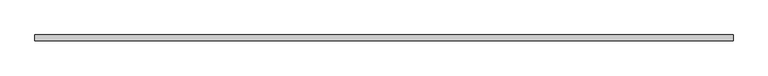
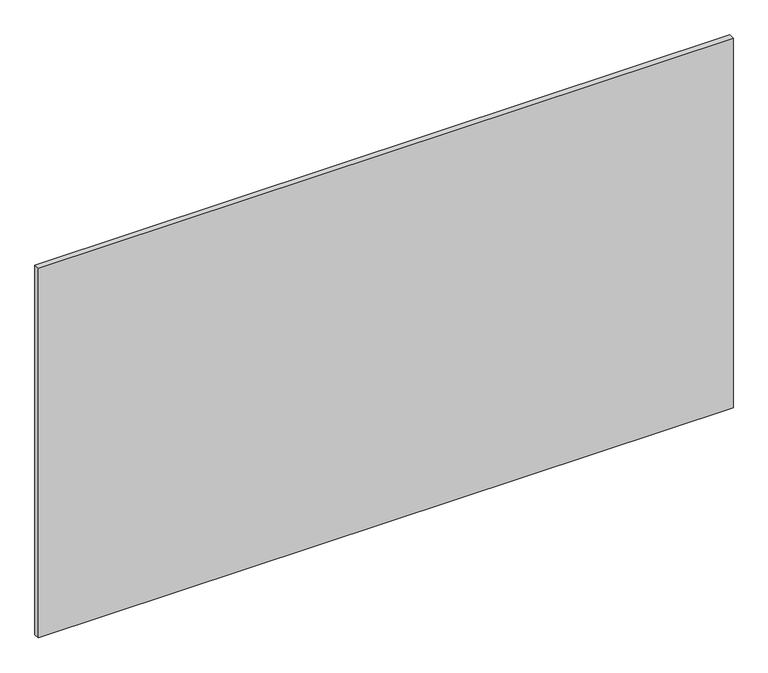
"""IFC4 building model written with IfcOpenShell, lengths in millimetres: plate geometry."""

import ifcopenshell
import ifcopenshell.guid

model = None  # the IFC model being written
_history = None  # IfcOwnerHistory: only IFC2X3 demands one
_inside = {}  # id of a spatial element -> (the spatial element, [elements in it])
_under = {}  # id of a project, library or spatial element -> (it, [spatial elements below it])
_declared = {}  # id of a project -> (the project, [libraries it declares])
_typed = {}  # id of a type object -> (the type object, [elements of that type])
_made_of = {}  # id of a material, layer set ... -> (it, [elements and type objects made of it])


def new_model(schema):
    """Start an empty IFC model of exactly this schema.

    Asked for "IFC4X3", IfcOpenShell would pick the latest addendum, in which some entities
    have other attributes; the version numbers below select the first issue.
    IFC2X3 requires an IfcOwnerHistory on every rooted entity: one is made here for all.
    """
    global model, _history
    if schema == "IFC4X3":
        model = ifcopenshell.file(schema_version=(4, 3, 0, 0))
    else:
        model = ifcopenshell.file(schema=schema)
    _inside.clear()
    _under.clear()
    _declared.clear()
    _typed.clear()
    _made_of.clear()
    _history = None
    if model.schema == "IFC2X3":
        org = make("IfcOrganization", Name="unknown")
        user = make(
            "IfcPersonAndOrganization",
            ThePerson=make("IfcPerson", FamilyName="unknown"),
            TheOrganization=org,
        )
        app = make(
            "IfcApplication",
            ApplicationDeveloper=org,
            Version="unknown",
            ApplicationFullName="unknown",
            ApplicationIdentifier="unknown",
        )
        _history = make(
            "IfcOwnerHistory",
            OwningUser=user,
            OwningApplication=app,
            ChangeAction="ADDED",
            CreationDate=0,
        )
    return model


def make(cls, **values):
    """One entity of the class cls with the attributes given. An attribute that is None is left unset."""
    return model.create_entity(
        cls, **{name: value for name, value in values.items() if value is not None}
    )


def rooted(cls, **values):
    """An entity with a GlobalId (a new one), such as an element, a storey or a relation."""
    return make(cls, GlobalId=ifcopenshell.guid.new(), OwnerHistory=_history, **values)


def si_unit(unit_type, name, prefix=None):
    """IfcSIUnit, for example si_unit("LENGTHUNIT", "METRE", prefix="MILLI")."""
    return make("IfcSIUnit", UnitType=unit_type, Prefix=prefix, Name=name)


def assignment(units):
    """IfcUnitAssignment: the units of a project."""
    return None if units is None else make("IfcUnitAssignment", Units=units)


def point(xyz):
    """IfcCartesianPoint."""
    return None if xyz is None else make("IfcCartesianPoint", Coordinates=xyz)


def direction(xyz):
    """IfcDirection."""
    return None if xyz is None else make("IfcDirection", DirectionRatios=xyz)


def frame(location, z_axis=None, x_axis=None):
    """IfcAxis2Placement3D, a coordinate frame: its origin and axes. An axis left out is left unset."""
    return make(
        "IfcAxis2Placement3D",
        Location=point(location),
        Axis=direction(z_axis),
        RefDirection=direction(x_axis),
    )


def origin():
    """The frame at (0, 0, 0) with its axes left unset."""
    return frame((0.0, 0.0, 0.0))


def origin_with_axes():
    """The frame at (0, 0, 0) with the z axis (0, 0, 1) and the x axis (1, 0, 0) written out."""
    return frame((0.0, 0.0, 0.0), z_axis=(0.0, 0.0, 1.0), x_axis=(1.0, 0.0, 0.0))


def place(relative_to, where):
    """IfcLocalPlacement: puts the frame where relative to a parent placement (None: the world)."""
    return make(
        "IfcLocalPlacement", PlacementRelTo=relative_to, RelativePlacement=where
    )


def context(
    kind, dimensions, precision=None, world=None, true_north=None, identifier=None
):
    """IfcGeometricRepresentationContext, for example the 3D "Model" context."""
    return make(
        "IfcGeometricRepresentationContext",
        ContextIdentifier=identifier,
        ContextType=kind,
        CoordinateSpaceDimension=dimensions,
        Precision=precision,
        WorldCoordinateSystem=world,
        TrueNorth=true_north,
    )


def project(units=None, contexts=None):
    """IfcProject with its units and contexts."""
    return rooted(
        "IfcProject",
        Name="project",
        RepresentationContexts=contexts,
        UnitsInContext=assignment(units),
    )


def spatial(cls, under=None, at=None, **own):
    """A site, building, storey or space (cls), placed at a placement, below another one or the project."""
    s = rooted(cls, ObjectPlacement=at, **own)
    if under is not None:
        _under.setdefault(under.id(), (under, []))[1].append(s)
    return s


def polyline(points):
    """IfcPolyline through the points."""
    return make("IfcPolyline", Points=[point(p) for p in points])


def outline(outer, holes=None, kind="AREA"):
    """IfcArbitraryClosedProfileDef: a profile drawn as a closed curve; with holes, ...WithVoids."""
    if holes is None:
        return make("IfcArbitraryClosedProfileDef", ProfileType=kind, OuterCurve=outer)
    return make(
        "IfcArbitraryProfileDefWithVoids",
        ProfileType=kind,
        OuterCurve=outer,
        InnerCurves=holes,
    )


def extrude(swept, where, along, depth):
    """IfcExtrudedAreaSolid: the profile swept, set in the frame where, extruded along a direction by depth."""
    return make(
        "IfcExtrudedAreaSolid",
        SweptArea=swept,
        Position=where,
        ExtrudedDirection=direction(along),
        Depth=depth,
    )


def shape(context_of_items, identifier, shape_type, items):
    """IfcShapeRepresentation: the items that make up one representation, for example the "Body"."""
    return make(
        "IfcShapeRepresentation",
        ContextOfItems=context_of_items,
        RepresentationIdentifier=identifier,
        RepresentationType=shape_type,
        Items=items,
    )


def source(mapping_origin, context_of_items, identifier, shape_type, items):
    """IfcRepresentationMap: a shape defined once, which mapped items show again and again."""
    return make(
        "IfcRepresentationMap",
        MappingOrigin=mapping_origin,
        MappedRepresentation=shape(context_of_items, identifier, shape_type, items),
    )


def transform(
    local_origin,
    x_axis=None,
    y_axis=None,
    z_axis=None,
    scale=None,
    scale2=None,
    scale3=None,
    uniform=True,
):
    """IfcCartesianTransformationOperator3D, or its non-uniform kind. x_axis, y_axis, z_axis: its Axis1, 2, 3."""
    if uniform:
        return make(
            "IfcCartesianTransformationOperator3D",
            Axis1=direction(x_axis),
            Axis2=direction(y_axis),
            LocalOrigin=point(local_origin),
            Scale=scale,
            Axis3=direction(z_axis),
        )
    return make(
        "IfcCartesianTransformationOperator3DnonUniform",
        Axis1=direction(x_axis),
        Axis2=direction(y_axis),
        LocalOrigin=point(local_origin),
        Scale=scale,
        Axis3=direction(z_axis),
        Scale2=scale2,
        Scale3=scale3,
    )


def mapped(mapping_source, mapping_target):
    """IfcMappedItem: shows the shape of a source again, moved by a transform."""
    return make(
        "IfcMappedItem", MappingSource=mapping_source, MappingTarget=mapping_target
    )


def made_of(thing, what):
    """Note that an element or type object is made of a material, layer set ...; save() writes the relation."""
    if what is not None:
        _made_of.setdefault(what.id(), (what, []))[1].append(thing)
    return thing


def element(
    cls,
    number,
    at=None,
    inside=None,
    cuts=None,
    type_object=None,
    material=None,
    context=None,
    identifier="Body",
    shape_type=None,
    held_by="IfcProductDefinitionShape",
    body=None,
    shapes=None,
    **own,
):
    """One element of the class cls, such as IfcWall. Its Tag is "e" and its number.

    at: its placement. inside: the storey or other place that contains it. cuts: it is an
    opening in that element (IfcRelVoidsElement). A single representation is given by context,
    identifier, shape_type and body (its items); several are given by shapes. held_by: the class
    of the entity that holds the representations. save() writes the other relations.
    """
    e = rooted(cls, Tag="e%d" % number, ObjectPlacement=at, **own)
    if body is not None:
        shapes = [shape(context, identifier, shape_type, body)]
    if shapes is not None:
        e.Representation = make(held_by, Representations=shapes)
    if inside is not None:
        _inside.setdefault(inside.id(), (inside, []))[1].append(e)
    if cuts is not None:
        rooted(
            "IfcRelVoidsElement", RelatingBuildingElement=cuts, RelatedOpeningElement=e
        )
    if type_object is not None:
        _typed.setdefault(type_object.id(), (type_object, []))[1].append(e)
    return made_of(e, material)


def aggregate(whole, parts):
    """IfcRelAggregates: a whole, such as a stair, and the parts it consists of."""
    return rooted("IfcRelAggregates", RelatingObject=whole, RelatedObjects=parts)


def save(model, path):
    """Write the relations noted so far, then the file.

    IfcRelAggregates (storeys below a building ...), IfcRelContainedInSpatialStructure (elements
    in a storey), IfcRelDefinesByType, IfcRelAssociatesMaterial and IfcRelDeclares: one each for
    every whole, place, type object, material and project.
    """
    for whole, parts in _under.values():
        aggregate(whole, parts)
    for where, things in _inside.values():
        rooted(
            "IfcRelContainedInSpatialStructure",
            RelatedElements=things,
            RelatingStructure=where,
        )
    for kind, things in _typed.values():
        rooted("IfcRelDefinesByType", RelatedObjects=things, RelatingType=kind)
    for what, things in _made_of.values():
        rooted("IfcRelAssociatesMaterial", RelatedObjects=things, RelatingMaterial=what)
    for by, libraries in _declared.values():
        rooted("IfcRelDeclares", RelatingContext=by, RelatedDefinitions=libraries)
    model.write(path)


def plate_9b953e8e(model_context):
    return source(origin(), model_context, "Body", "SweptSolid", [
        extrude(outline(polyline([(616.6, 5.0), (616.6, -5.0), (-616.6, -5.0), (-616.6, 5.0), (616.6, 5.0)])), origin_with_axes(), (0.0, 0.0, 1.0), 693.2),
    ])


if __name__ == "__main__":
    model = new_model("IFC4")
    model_context = context("Model", 3, world=origin())
    ifc_project = project(units=[si_unit("LENGTHUNIT", "METRE", prefix="MILLI")], contexts=[model_context])
    site = spatial("IfcSite", under=ifc_project)
    building = spatial("IfcBuilding", under=site)
    placement = place(None, origin())
    plate_shape = plate_9b953e8e(model_context)
    element("IfcPlate", 1, at=placement, inside=building, context=model_context, shape_type="MappedRepresentation", body=[
        mapped(plate_shape, transform((0.0, 0.0, 0.0), x_axis=(1.0, 0.0, 0.0), y_axis=(0.0, 1.0, 0.0), z_axis=(0.0, 0.0, 1.0))),
    ])
    save(model, "model.ifc")
